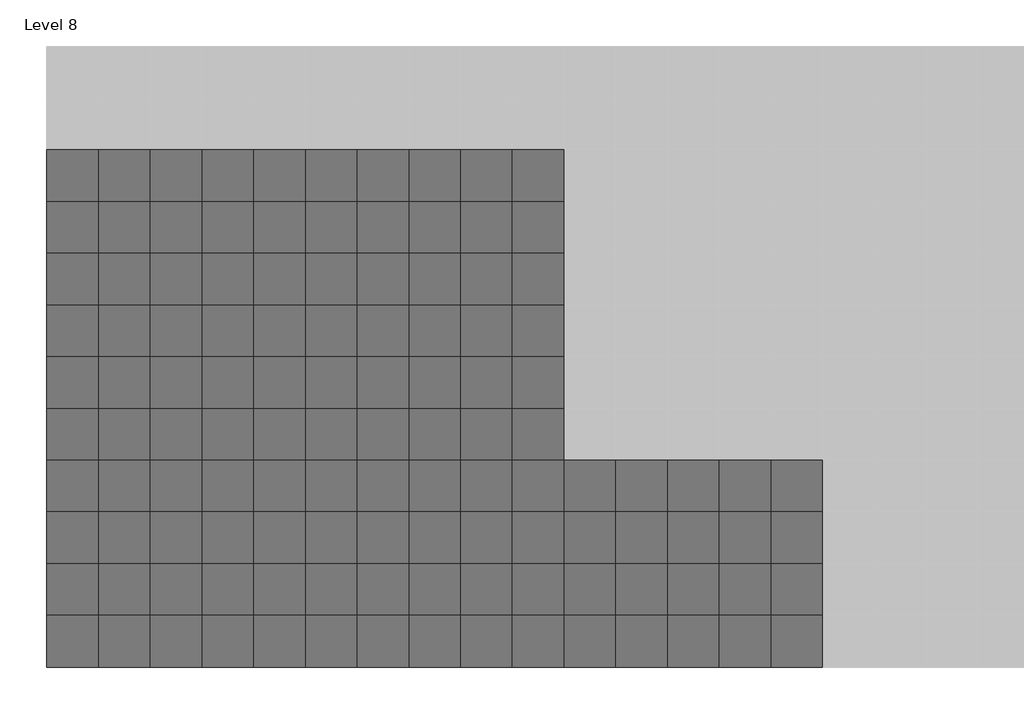
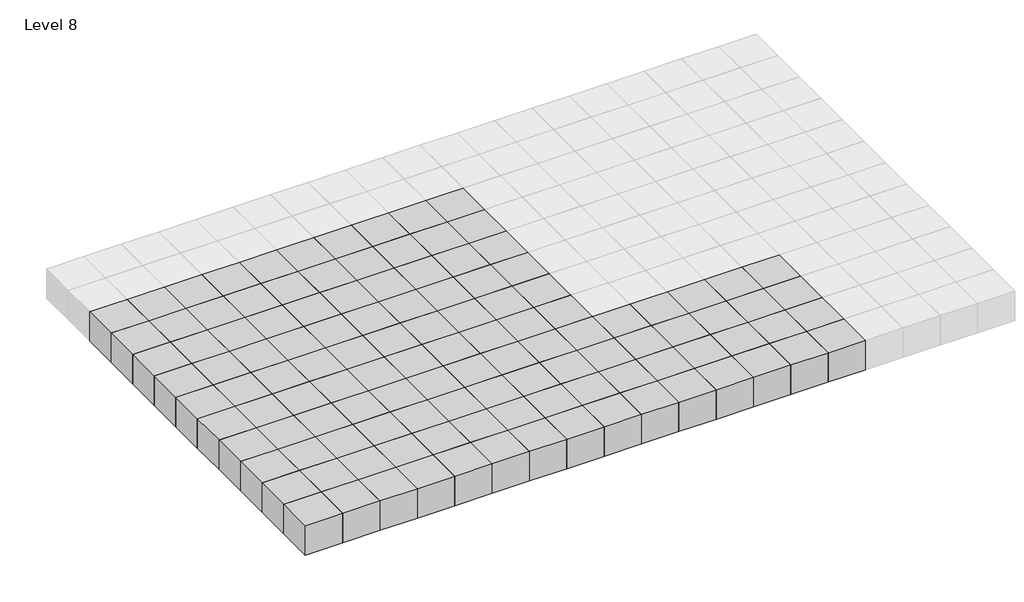
# One storey, part 1 of 3: 120 proxies.
"""IFC4 building model written with IfcOpenShell, lengths in millimetres."""

import ifcopenshell
import ifcopenshell.guid

model = None  # the IFC model being written
_history = None  # IfcOwnerHistory: only IFC2X3 demands one
_inside = {}  # id of a spatial element -> (the spatial element, [elements in it])
_under = {}  # id of a project, library or spatial element -> (it, [spatial elements below it])
_declared = {}  # id of a project -> (the project, [libraries it declares])
_typed = {}  # id of a type object -> (the type object, [elements of that type])
_made_of = {}  # id of a material, layer set ... -> (it, [elements and type objects made of it])


def new_model(schema):
    """Start an empty IFC model of exactly this schema.

    Asked for "IFC4X3", IfcOpenShell would pick the latest addendum, in which some entities
    have other attributes; the version numbers below select the first issue.
    IFC2X3 requires an IfcOwnerHistory on every rooted entity: one is made here for all.
    """
    global model, _history
    if schema == "IFC4X3":
        model = ifcopenshell.file(schema_version=(4, 3, 0, 0))
    else:
        model = ifcopenshell.file(schema=schema)
    _inside.clear()
    _under.clear()
    _declared.clear()
    _typed.clear()
    _made_of.clear()
    _history = None
    if model.schema == "IFC2X3":
        org = make("IfcOrganization", Name="unknown")
        user = make(
            "IfcPersonAndOrganization",
            ThePerson=make("IfcPerson", FamilyName="unknown"),
            TheOrganization=org,
        )
        app = make(
            "IfcApplication",
            ApplicationDeveloper=org,
            Version="unknown",
            ApplicationFullName="unknown",
            ApplicationIdentifier="unknown",
        )
        _history = make(
            "IfcOwnerHistory",
            OwningUser=user,
            OwningApplication=app,
            ChangeAction="ADDED",
            CreationDate=0,
        )
    return model


def make(cls, **values):
    """One entity of the class cls with the attributes given. An attribute that is None is left unset."""
    return model.create_entity(
        cls, **{name: value for name, value in values.items() if value is not None}
    )


def rooted(cls, **values):
    """An entity with a GlobalId (a new one), such as an element, a storey or a relation."""
    return make(cls, GlobalId=ifcopenshell.guid.new(), OwnerHistory=_history, **values)


def si_unit(unit_type, name, prefix=None):
    """IfcSIUnit, for example si_unit("LENGTHUNIT", "METRE", prefix="MILLI")."""
    return make("IfcSIUnit", UnitType=unit_type, Prefix=prefix, Name=name)


def assignment(units):
    """IfcUnitAssignment: the units of a project."""
    return None if units is None else make("IfcUnitAssignment", Units=units)


def point(xyz):
    """IfcCartesianPoint."""
    return None if xyz is None else make("IfcCartesianPoint", Coordinates=xyz)


def direction(xyz):
    """IfcDirection."""
    return None if xyz is None else make("IfcDirection", DirectionRatios=xyz)


def frame(location, z_axis=None, x_axis=None):
    """IfcAxis2Placement3D, a coordinate frame: its origin and axes. An axis left out is left unset."""
    return make(
        "IfcAxis2Placement3D",
        Location=point(location),
        Axis=direction(z_axis),
        RefDirection=direction(x_axis),
    )


def origin():
    """The frame at (0, 0, 0) with its axes left unset."""
    return frame((0.0, 0.0, 0.0))


def origin_with_axes():
    """The frame at (0, 0, 0) with the z axis (0, 0, 1) and the x axis (1, 0, 0) written out."""
    return frame((0.0, 0.0, 0.0), z_axis=(0.0, 0.0, 1.0), x_axis=(1.0, 0.0, 0.0))


def place(relative_to, where):
    """IfcLocalPlacement: puts the frame where relative to a parent placement (None: the world)."""
    return make(
        "IfcLocalPlacement", PlacementRelTo=relative_to, RelativePlacement=where
    )


def context(
    kind, dimensions, precision=None, world=None, true_north=None, identifier=None
):
    """IfcGeometricRepresentationContext, for example the 3D "Model" context."""
    return make(
        "IfcGeometricRepresentationContext",
        ContextIdentifier=identifier,
        ContextType=kind,
        CoordinateSpaceDimension=dimensions,
        Precision=precision,
        WorldCoordinateSystem=world,
        TrueNorth=true_north,
    )


def project(units=None, contexts=None):
    """IfcProject with its units and contexts."""
    return rooted(
        "IfcProject",
        Name="project",
        RepresentationContexts=contexts,
        UnitsInContext=assignment(units),
    )


def spatial(cls, under=None, at=None, **own):
    """A site, building, storey or space (cls), placed at a placement, below another one or the project."""
    s = rooted(cls, ObjectPlacement=at, **own)
    if under is not None:
        _under.setdefault(under.id(), (under, []))[1].append(s)
    return s


def polyline(points):
    """IfcPolyline through the points."""
    return make("IfcPolyline", Points=[point(p) for p in points])


def outline(outer, holes=None, kind="AREA"):
    """IfcArbitraryClosedProfileDef: a profile drawn as a closed curve; with holes, ...WithVoids."""
    if holes is None:
        return make("IfcArbitraryClosedProfileDef", ProfileType=kind, OuterCurve=outer)
    return make(
        "IfcArbitraryProfileDefWithVoids",
        ProfileType=kind,
        OuterCurve=outer,
        InnerCurves=holes,
    )


def extrude(swept, where, along, depth):
    """IfcExtrudedAreaSolid: the profile swept, set in the frame where, extruded along a direction by depth."""
    return make(
        "IfcExtrudedAreaSolid",
        SweptArea=swept,
        Position=where,
        ExtrudedDirection=direction(along),
        Depth=depth,
    )


def shape(context_of_items, identifier, shape_type, items):
    """IfcShapeRepresentation: the items that make up one representation, for example the "Body"."""
    return make(
        "IfcShapeRepresentation",
        ContextOfItems=context_of_items,
        RepresentationIdentifier=identifier,
        RepresentationType=shape_type,
        Items=items,
    )


def source(mapping_origin, context_of_items, identifier, shape_type, items):
    """IfcRepresentationMap: a shape defined once, which mapped items show again and again."""
    return make(
        "IfcRepresentationMap",
        MappingOrigin=mapping_origin,
        MappedRepresentation=shape(context_of_items, identifier, shape_type, items),
    )


def transform(
    local_origin,
    x_axis=None,
    y_axis=None,
    z_axis=None,
    scale=None,
    scale2=None,
    scale3=None,
    uniform=True,
):
    """IfcCartesianTransformationOperator3D, or its non-uniform kind. x_axis, y_axis, z_axis: its Axis1, 2, 3."""
    if uniform:
        return make(
            "IfcCartesianTransformationOperator3D",
            Axis1=direction(x_axis),
            Axis2=direction(y_axis),
            LocalOrigin=point(local_origin),
            Scale=scale,
            Axis3=direction(z_axis),
        )
    return make(
        "IfcCartesianTransformationOperator3DnonUniform",
        Axis1=direction(x_axis),
        Axis2=direction(y_axis),
        LocalOrigin=point(local_origin),
        Scale=scale,
        Axis3=direction(z_axis),
        Scale2=scale2,
        Scale3=scale3,
    )


def mapped(mapping_source, mapping_target):
    """IfcMappedItem: shows the shape of a source again, moved by a transform."""
    return make(
        "IfcMappedItem", MappingSource=mapping_source, MappingTarget=mapping_target
    )


def made_of(thing, what):
    """Note that an element or type object is made of a material, layer set ...; save() writes the relation."""
    if what is not None:
        _made_of.setdefault(what.id(), (what, []))[1].append(thing)
    return thing


def element(
    cls,
    number,
    at=None,
    inside=None,
    cuts=None,
    type_object=None,
    material=None,
    context=None,
    identifier="Body",
    shape_type=None,
    held_by="IfcProductDefinitionShape",
    body=None,
    shapes=None,
    **own,
):
    """One element of the class cls, such as IfcWall. Its Tag is "e" and its number.

    at: its placement. inside: the storey or other place that contains it. cuts: it is an
    opening in that element (IfcRelVoidsElement). A single representation is given by context,
    identifier, shape_type and body (its items); several are given by shapes. held_by: the class
    of the entity that holds the representations. save() writes the other relations.
    """
    e = rooted(cls, Tag="e%d" % number, ObjectPlacement=at, **own)
    if body is not None:
        shapes = [shape(context, identifier, shape_type, body)]
    if shapes is not None:
        e.Representation = make(held_by, Representations=shapes)
    if inside is not None:
        _inside.setdefault(inside.id(), (inside, []))[1].append(e)
    if cuts is not None:
        rooted(
            "IfcRelVoidsElement", RelatingBuildingElement=cuts, RelatedOpeningElement=e
        )
    if type_object is not None:
        _typed.setdefault(type_object.id(), (type_object, []))[1].append(e)
    return made_of(e, material)


def aggregate(whole, parts):
    """IfcRelAggregates: a whole, such as a stair, and the parts it consists of."""
    return rooted("IfcRelAggregates", RelatingObject=whole, RelatedObjects=parts)


def save(model, path):
    """Write the relations noted so far, then the file.

    IfcRelAggregates (storeys below a building ...), IfcRelContainedInSpatialStructure (elements
    in a storey), IfcRelDefinesByType, IfcRelAssociatesMaterial and IfcRelDeclares: one each for
    every whole, place, type object, material and project.
    """
    for whole, parts in _under.values():
        aggregate(whole, parts)
    for where, things in _inside.values():
        rooted(
            "IfcRelContainedInSpatialStructure",
            RelatedElements=things,
            RelatingStructure=where,
        )
    for kind, things in _typed.values():
        rooted("IfcRelDefinesByType", RelatedObjects=things, RelatingType=kind)
    for what, things in _made_of.values():
        rooted("IfcRelAssociatesMaterial", RelatedObjects=things, RelatingMaterial=what)
    for by, libraries in _declared.values():
        rooted("IfcRelDeclares", RelatingContext=by, RelatedDefinitions=libraries)
    model.write(path)


def family1_family1_3ff121e7(model_context):
    return source(origin(), model_context, "Body", "SweptSolid", [
        extrude(outline(polyline([(1500.0, 1500.0), (1500.0, -1500.0), (-1500.0, -1500.0), (-1500.0, 1500.0), (1500.0, 1500.0)])), origin_with_axes(), (0.0, 0.0, 1.0), 2500.0),
    ])


model = new_model("IFC4")

# Units and contexts
model_context = context("Model", 3, world=origin())
ifc_project = project(units=[si_unit("LENGTHUNIT", "METRE", prefix="MILLI")], contexts=[model_context])

# Site, building, storey
site = spatial("IfcSite", under=ifc_project)
building = spatial("IfcBuilding", under=site)
storey = spatial("IfcBuildingStorey", under=building, Name="Level 8", Elevation=17500.0)

# Proxies
placement = place(None, origin())
family1_family1_shape = family1_family1_3ff121e7(model_context)
element("IfcBuildingElementProxy", 1, Name="Family1 : Family1", ObjectType="Family1 : Family1", at=placement, inside=storey, context=model_context, shape_type="MappedRepresentation", body=[
    mapped(family1_family1_shape, transform((-43769.1764279, 4214.6480914, 17500.0), x_axis=(1.0, 0.0, 0.0), y_axis=(0.0, 1.0, 0.0), z_axis=(0.0, 0.0, 1.0))),
])
element("IfcBuildingElementProxy", 2, Name="Family1 : Family1", ObjectType="Family1 : Family1", at=placement, inside=storey, context=model_context, shape_type="MappedRepresentation", body=[
    mapped(family1_family1_shape, transform((-40769.1764279, 4214.6480914, 17500.0), x_axis=(1.0, 0.0, 0.0), y_axis=(0.0, 1.0, 0.0), z_axis=(0.0, 0.0, 1.0))),
])
element("IfcBuildingElementProxy", 3, Name="Family1 : Family1", ObjectType="Family1 : Family1", at=placement, inside=storey, context=model_context, shape_type="MappedRepresentation", body=[
    mapped(family1_family1_shape, transform((-37769.1764279, 4214.6480914, 17500.0), x_axis=(1.0, 0.0, 0.0), y_axis=(0.0, 1.0, 0.0), z_axis=(0.0, 0.0, 1.0))),
])
element("IfcBuildingElementProxy", 4, Name="Family1 : Family1", ObjectType="Family1 : Family1", at=placement, inside=storey, context=model_context, shape_type="MappedRepresentation", body=[
    mapped(family1_family1_shape, transform((-34769.1764279, 4214.6480914, 17500.0), x_axis=(1.0, 0.0, 0.0), y_axis=(0.0, 1.0, 0.0), z_axis=(0.0, 0.0, 1.0))),
])
element("IfcBuildingElementProxy", 5, Name="Family1 : Family1", ObjectType="Family1 : Family1", at=placement, inside=storey, context=model_context, shape_type="MappedRepresentation", body=[
    mapped(family1_family1_shape, transform((-31769.1764279, 4214.6480914, 17500.0), x_axis=(1.0, 0.0, 0.0), y_axis=(0.0, 1.0, 0.0), z_axis=(0.0, 0.0, 1.0))),
])
element("IfcBuildingElementProxy", 6, Name="Family1 : Family1", ObjectType="Family1 : Family1", at=placement, inside=storey, context=model_context, shape_type="MappedRepresentation", body=[
    mapped(family1_family1_shape, transform((-28769.1764279, 4214.6480914, 17500.0), x_axis=(1.0, 0.0, 0.0), y_axis=(0.0, 1.0, 0.0), z_axis=(0.0, 0.0, 1.0))),
])
element("IfcBuildingElementProxy", 7, Name="Family1 : Family1", ObjectType="Family1 : Family1", at=placement, inside=storey, context=model_context, shape_type="MappedRepresentation", body=[
    mapped(family1_family1_shape, transform((-25769.1764279, 4214.6480914, 17500.0), x_axis=(1.0, 0.0, 0.0), y_axis=(0.0, 1.0, 0.0), z_axis=(0.0, 0.0, 1.0))),
])
element("IfcBuildingElementProxy", 8, Name="Family1 : Family1", ObjectType="Family1 : Family1", at=placement, inside=storey, context=model_context, shape_type="MappedRepresentation", body=[
    mapped(family1_family1_shape, transform((-22769.1764279, 4214.6480914, 17500.0), x_axis=(1.0, 0.0, 0.0), y_axis=(0.0, 1.0, 0.0), z_axis=(0.0, 0.0, 1.0))),
])
element("IfcBuildingElementProxy", 9, Name="Family1 : Family1", ObjectType="Family1 : Family1", at=placement, inside=storey, context=model_context, shape_type="MappedRepresentation", body=[
    mapped(family1_family1_shape, transform((-19769.1764279, 4214.6480914, 17500.0), x_axis=(1.0, 0.0, 0.0), y_axis=(0.0, 1.0, 0.0), z_axis=(0.0, 0.0, 1.0))),
])
element("IfcBuildingElementProxy", 10, Name="Family1 : Family1", ObjectType="Family1 : Family1", at=placement, inside=storey, context=model_context, shape_type="MappedRepresentation", body=[
    mapped(family1_family1_shape, transform((-16769.1764279, 4214.6480914, 17500.0), x_axis=(1.0, 0.0, 0.0), y_axis=(0.0, 1.0, 0.0), z_axis=(0.0, 0.0, 1.0))),
])
element("IfcBuildingElementProxy", 11, Name="Family1 : Family1", ObjectType="Family1 : Family1", at=placement, inside=storey, context=model_context, shape_type="MappedRepresentation", body=[
    mapped(family1_family1_shape, transform((-13769.1764279, 4214.6480914, 17500.0), x_axis=(1.0, 0.0, 0.0), y_axis=(0.0, 1.0, 0.0), z_axis=(0.0, 0.0, 1.0))),
])
element("IfcBuildingElementProxy", 12, Name="Family1 : Family1", ObjectType="Family1 : Family1", at=placement, inside=storey, context=model_context, shape_type="MappedRepresentation", body=[
    mapped(family1_family1_shape, transform((-10769.1764279, 4214.6480914, 17500.0), x_axis=(1.0, 0.0, 0.0), y_axis=(0.0, 1.0, 0.0), z_axis=(0.0, 0.0, 1.0))),
])
element("IfcBuildingElementProxy", 13, Name="Family1 : Family1", ObjectType="Family1 : Family1", at=placement, inside=storey, context=model_context, shape_type="MappedRepresentation", body=[
    mapped(family1_family1_shape, transform((-7769.1764279, 4214.6480914, 17500.0), x_axis=(1.0, 0.0, 0.0), y_axis=(0.0, 1.0, 0.0), z_axis=(0.0, 0.0, 1.0))),
])
element("IfcBuildingElementProxy", 14, Name="Family1 : Family1", ObjectType="Family1 : Family1", at=placement, inside=storey, context=model_context, shape_type="MappedRepresentation", body=[
    mapped(family1_family1_shape, transform((-4769.1764279, 4214.6480914, 17500.0), x_axis=(1.0, 0.0, 0.0), y_axis=(0.0, 1.0, 0.0), z_axis=(0.0, 0.0, 1.0))),
])
element("IfcBuildingElementProxy", 15, Name="Family1 : Family1", ObjectType="Family1 : Family1", at=placement, inside=storey, context=model_context, shape_type="MappedRepresentation", body=[
    mapped(family1_family1_shape, transform((-1769.1764279, 4214.6480914, 17500.0), x_axis=(1.0, 0.0, 0.0), y_axis=(0.0, 1.0, 0.0), z_axis=(0.0, 0.0, 1.0))),
])
element("IfcBuildingElementProxy", 16, Name="Family1 : Family1", ObjectType="Family1 : Family1", at=placement, inside=storey, context=model_context, shape_type="MappedRepresentation", body=[
    mapped(family1_family1_shape, transform((-43769.1764279, 7214.6480914, 17500.0), x_axis=(1.0, 0.0, 0.0), y_axis=(0.0, 1.0, 0.0), z_axis=(0.0, 0.0, 1.0))),
])
element("IfcBuildingElementProxy", 17, Name="Family1 : Family1", ObjectType="Family1 : Family1", at=placement, inside=storey, context=model_context, shape_type="MappedRepresentation", body=[
    mapped(family1_family1_shape, transform((-40769.1764279, 7214.6480914, 17500.0), x_axis=(1.0, 0.0, 0.0), y_axis=(0.0, 1.0, 0.0), z_axis=(0.0, 0.0, 1.0))),
])
element("IfcBuildingElementProxy", 18, Name="Family1 : Family1", ObjectType="Family1 : Family1", at=placement, inside=storey, context=model_context, shape_type="MappedRepresentation", body=[
    mapped(family1_family1_shape, transform((-37769.1764279, 7214.6480914, 17500.0), x_axis=(1.0, 0.0, 0.0), y_axis=(0.0, 1.0, 0.0), z_axis=(0.0, 0.0, 1.0))),
])
element("IfcBuildingElementProxy", 19, Name="Family1 : Family1", ObjectType="Family1 : Family1", at=placement, inside=storey, context=model_context, shape_type="MappedRepresentation", body=[
    mapped(family1_family1_shape, transform((-34769.1764279, 7214.6480914, 17500.0), x_axis=(1.0, 0.0, 0.0), y_axis=(0.0, 1.0, 0.0), z_axis=(0.0, 0.0, 1.0))),
])
element("IfcBuildingElementProxy", 20, Name="Family1 : Family1", ObjectType="Family1 : Family1", at=placement, inside=storey, context=model_context, shape_type="MappedRepresentation", body=[
    mapped(family1_family1_shape, transform((-31769.1764279, 7214.6480914, 17500.0), x_axis=(1.0, 0.0, 0.0), y_axis=(0.0, 1.0, 0.0), z_axis=(0.0, 0.0, 1.0))),
])
element("IfcBuildingElementProxy", 21, Name="Family1 : Family1", ObjectType="Family1 : Family1", at=placement, inside=storey, context=model_context, shape_type="MappedRepresentation", body=[
    mapped(family1_family1_shape, transform((-28769.1764279, 7214.6480914, 17500.0), x_axis=(1.0, 0.0, 0.0), y_axis=(0.0, 1.0, 0.0), z_axis=(0.0, 0.0, 1.0))),
])
element("IfcBuildingElementProxy", 22, Name="Family1 : Family1", ObjectType="Family1 : Family1", at=placement, inside=storey, context=model_context, shape_type="MappedRepresentation", body=[
    mapped(family1_family1_shape, transform((-25769.1764279, 7214.6480914, 17500.0), x_axis=(1.0, 0.0, 0.0), y_axis=(0.0, 1.0, 0.0), z_axis=(0.0, 0.0, 1.0))),
])
element("IfcBuildingElementProxy", 23, Name="Family1 : Family1", ObjectType="Family1 : Family1", at=placement, inside=storey, context=model_context, shape_type="MappedRepresentation", body=[
    mapped(family1_family1_shape, transform((-22769.1764279, 7214.6480914, 17500.0), x_axis=(1.0, 0.0, 0.0), y_axis=(0.0, 1.0, 0.0), z_axis=(0.0, 0.0, 1.0))),
])
element("IfcBuildingElementProxy", 24, Name="Family1 : Family1", ObjectType="Family1 : Family1", at=placement, inside=storey, context=model_context, shape_type="MappedRepresentation", body=[
    mapped(family1_family1_shape, transform((-19769.1764279, 7214.6480914, 17500.0), x_axis=(1.0, 0.0, 0.0), y_axis=(0.0, 1.0, 0.0), z_axis=(0.0, 0.0, 1.0))),
])
element("IfcBuildingElementProxy", 25, Name="Family1 : Family1", ObjectType="Family1 : Family1", at=placement, inside=storey, context=model_context, shape_type="MappedRepresentation", body=[
    mapped(family1_family1_shape, transform((-16769.1764279, 7214.6480914, 17500.0), x_axis=(1.0, 0.0, 0.0), y_axis=(0.0, 1.0, 0.0), z_axis=(0.0, 0.0, 1.0))),
])
element("IfcBuildingElementProxy", 26, Name="Family1 : Family1", ObjectType="Family1 : Family1", at=placement, inside=storey, context=model_context, shape_type="MappedRepresentation", body=[
    mapped(family1_family1_shape, transform((-13769.1764279, 7214.6480914, 17500.0), x_axis=(1.0, 0.0, 0.0), y_axis=(0.0, 1.0, 0.0), z_axis=(0.0, 0.0, 1.0))),
])
element("IfcBuildingElementProxy", 27, Name="Family1 : Family1", ObjectType="Family1 : Family1", at=placement, inside=storey, context=model_context, shape_type="MappedRepresentation", body=[
    mapped(family1_family1_shape, transform((-10769.1764279, 7214.6480914, 17500.0), x_axis=(1.0, 0.0, 0.0), y_axis=(0.0, 1.0, 0.0), z_axis=(0.0, 0.0, 1.0))),
])
element("IfcBuildingElementProxy", 28, Name="Family1 : Family1", ObjectType="Family1 : Family1", at=placement, inside=storey, context=model_context, shape_type="MappedRepresentation", body=[
    mapped(family1_family1_shape, transform((-7769.1764279, 7214.6480914, 17500.0), x_axis=(1.0, 0.0, 0.0), y_axis=(0.0, 1.0, 0.0), z_axis=(0.0, 0.0, 1.0))),
])
element("IfcBuildingElementProxy", 29, Name="Family1 : Family1", ObjectType="Family1 : Family1", at=placement, inside=storey, context=model_context, shape_type="MappedRepresentation", body=[
    mapped(family1_family1_shape, transform((-4769.1764279, 7214.6480914, 17500.0), x_axis=(1.0, 0.0, 0.0), y_axis=(0.0, 1.0, 0.0), z_axis=(0.0, 0.0, 1.0))),
])
element("IfcBuildingElementProxy", 30, Name="Family1 : Family1", ObjectType="Family1 : Family1", at=placement, inside=storey, context=model_context, shape_type="MappedRepresentation", body=[
    mapped(family1_family1_shape, transform((-1769.1764279, 7214.6480914, 17500.0), x_axis=(1.0, 0.0, 0.0), y_axis=(0.0, 1.0, 0.0), z_axis=(0.0, 0.0, 1.0))),
])
element("IfcBuildingElementProxy", 31, Name="Family1 : Family1", ObjectType="Family1 : Family1", at=placement, inside=storey, context=model_context, shape_type="MappedRepresentation", body=[
    mapped(family1_family1_shape, transform((-43769.1764279, 10214.6480914, 17500.0), x_axis=(1.0, 0.0, 0.0), y_axis=(0.0, 1.0, 0.0), z_axis=(0.0, 0.0, 1.0))),
])
element("IfcBuildingElementProxy", 32, Name="Family1 : Family1", ObjectType="Family1 : Family1", at=placement, inside=storey, context=model_context, shape_type="MappedRepresentation", body=[
    mapped(family1_family1_shape, transform((-40769.1764279, 10214.6480914, 17500.0), x_axis=(1.0, 0.0, 0.0), y_axis=(0.0, 1.0, 0.0), z_axis=(0.0, 0.0, 1.0))),
])
element("IfcBuildingElementProxy", 33, Name="Family1 : Family1", ObjectType="Family1 : Family1", at=placement, inside=storey, context=model_context, shape_type="MappedRepresentation", body=[
    mapped(family1_family1_shape, transform((-37769.1764279, 10214.6480914, 17500.0), x_axis=(1.0, 0.0, 0.0), y_axis=(0.0, 1.0, 0.0), z_axis=(0.0, 0.0, 1.0))),
])
element("IfcBuildingElementProxy", 34, Name="Family1 : Family1", ObjectType="Family1 : Family1", at=placement, inside=storey, context=model_context, shape_type="MappedRepresentation", body=[
    mapped(family1_family1_shape, transform((-34769.1764279, 10214.6480914, 17500.0), x_axis=(1.0, 0.0, 0.0), y_axis=(0.0, 1.0, 0.0), z_axis=(0.0, 0.0, 1.0))),
])
element("IfcBuildingElementProxy", 35, Name="Family1 : Family1", ObjectType="Family1 : Family1", at=placement, inside=storey, context=model_context, shape_type="MappedRepresentation", body=[
    mapped(family1_family1_shape, transform((-31769.1764279, 10214.6480914, 17500.0), x_axis=(1.0, 0.0, 0.0), y_axis=(0.0, 1.0, 0.0), z_axis=(0.0, 0.0, 1.0))),
])
element("IfcBuildingElementProxy", 36, Name="Family1 : Family1", ObjectType="Family1 : Family1", at=placement, inside=storey, context=model_context, shape_type="MappedRepresentation", body=[
    mapped(family1_family1_shape, transform((-28769.1764279, 10214.6480914, 17500.0), x_axis=(1.0, 0.0, 0.0), y_axis=(0.0, 1.0, 0.0), z_axis=(0.0, 0.0, 1.0))),
])
element("IfcBuildingElementProxy", 37, Name="Family1 : Family1", ObjectType="Family1 : Family1", at=placement, inside=storey, context=model_context, shape_type="MappedRepresentation", body=[
    mapped(family1_family1_shape, transform((-25769.1764279, 10214.6480914, 17500.0), x_axis=(1.0, 0.0, 0.0), y_axis=(0.0, 1.0, 0.0), z_axis=(0.0, 0.0, 1.0))),
])
element("IfcBuildingElementProxy", 38, Name="Family1 : Family1", ObjectType="Family1 : Family1", at=placement, inside=storey, context=model_context, shape_type="MappedRepresentation", body=[
    mapped(family1_family1_shape, transform((-22769.1764279, 10214.6480914, 17500.0), x_axis=(1.0, 0.0, 0.0), y_axis=(0.0, 1.0, 0.0), z_axis=(0.0, 0.0, 1.0))),
])
element("IfcBuildingElementProxy", 39, Name="Family1 : Family1", ObjectType="Family1 : Family1", at=placement, inside=storey, context=model_context, shape_type="MappedRepresentation", body=[
    mapped(family1_family1_shape, transform((-19769.1764279, 10214.6480914, 17500.0), x_axis=(1.0, 0.0, 0.0), y_axis=(0.0, 1.0, 0.0), z_axis=(0.0, 0.0, 1.0))),
])
element("IfcBuildingElementProxy", 40, Name="Family1 : Family1", ObjectType="Family1 : Family1", at=placement, inside=storey, context=model_context, shape_type="MappedRepresentation", body=[
    mapped(family1_family1_shape, transform((-16769.1764279, 10214.6480914, 17500.0), x_axis=(1.0, 0.0, 0.0), y_axis=(0.0, 1.0, 0.0), z_axis=(0.0, 0.0, 1.0))),
])
element("IfcBuildingElementProxy", 41, Name="Family1 : Family1", ObjectType="Family1 : Family1", at=placement, inside=storey, context=model_context, shape_type="MappedRepresentation", body=[
    mapped(family1_family1_shape, transform((-13769.1764279, 10214.6480914, 17500.0), x_axis=(1.0, 0.0, 0.0), y_axis=(0.0, 1.0, 0.0), z_axis=(0.0, 0.0, 1.0))),
])
element("IfcBuildingElementProxy", 42, Name="Family1 : Family1", ObjectType="Family1 : Family1", at=placement, inside=storey, context=model_context, shape_type="MappedRepresentation", body=[
    mapped(family1_family1_shape, transform((-10769.1764279, 10214.6480914, 17500.0), x_axis=(1.0, 0.0, 0.0), y_axis=(0.0, 1.0, 0.0), z_axis=(0.0, 0.0, 1.0))),
])
element("IfcBuildingElementProxy", 43, Name="Family1 : Family1", ObjectType="Family1 : Family1", at=placement, inside=storey, context=model_context, shape_type="MappedRepresentation", body=[
    mapped(family1_family1_shape, transform((-7769.1764279, 10214.6480914, 17500.0), x_axis=(1.0, 0.0, 0.0), y_axis=(0.0, 1.0, 0.0), z_axis=(0.0, 0.0, 1.0))),
])
element("IfcBuildingElementProxy", 44, Name="Family1 : Family1", ObjectType="Family1 : Family1", at=placement, inside=storey, context=model_context, shape_type="MappedRepresentation", body=[
    mapped(family1_family1_shape, transform((-4769.1764279, 10214.6480914, 17500.0), x_axis=(1.0, 0.0, 0.0), y_axis=(0.0, 1.0, 0.0), z_axis=(0.0, 0.0, 1.0))),
])
element("IfcBuildingElementProxy", 45, Name="Family1 : Family1", ObjectType="Family1 : Family1", at=placement, inside=storey, context=model_context, shape_type="MappedRepresentation", body=[
    mapped(family1_family1_shape, transform((-1769.1764279, 10214.6480914, 17500.0), x_axis=(1.0, 0.0, 0.0), y_axis=(0.0, 1.0, 0.0), z_axis=(0.0, 0.0, 1.0))),
])
element("IfcBuildingElementProxy", 46, Name="Family1 : Family1", ObjectType="Family1 : Family1", at=placement, inside=storey, context=model_context, shape_type="MappedRepresentation", body=[
    mapped(family1_family1_shape, transform((-43769.1764279, 13214.6480914, 17500.0), x_axis=(1.0, 0.0, 0.0), y_axis=(0.0, 1.0, 0.0), z_axis=(0.0, 0.0, 1.0))),
])
element("IfcBuildingElementProxy", 47, Name="Family1 : Family1", ObjectType="Family1 : Family1", at=placement, inside=storey, context=model_context, shape_type="MappedRepresentation", body=[
    mapped(family1_family1_shape, transform((-40769.1764279, 13214.6480914, 17500.0), x_axis=(1.0, 0.0, 0.0), y_axis=(0.0, 1.0, 0.0), z_axis=(0.0, 0.0, 1.0))),
])
element("IfcBuildingElementProxy", 48, Name="Family1 : Family1", ObjectType="Family1 : Family1", at=placement, inside=storey, context=model_context, shape_type="MappedRepresentation", body=[
    mapped(family1_family1_shape, transform((-37769.1764279, 13214.6480914, 17500.0), x_axis=(1.0, 0.0, 0.0), y_axis=(0.0, 1.0, 0.0), z_axis=(0.0, 0.0, 1.0))),
])
element("IfcBuildingElementProxy", 49, Name="Family1 : Family1", ObjectType="Family1 : Family1", at=placement, inside=storey, context=model_context, shape_type="MappedRepresentation", body=[
    mapped(family1_family1_shape, transform((-34769.1764279, 13214.6480914, 17500.0), x_axis=(1.0, 0.0, 0.0), y_axis=(0.0, 1.0, 0.0), z_axis=(0.0, 0.0, 1.0))),
])
element("IfcBuildingElementProxy", 50, Name="Family1 : Family1", ObjectType="Family1 : Family1", at=placement, inside=storey, context=model_context, shape_type="MappedRepresentation", body=[
    mapped(family1_family1_shape, transform((-31769.1764279, 13214.6480914, 17500.0), x_axis=(1.0, 0.0, 0.0), y_axis=(0.0, 1.0, 0.0), z_axis=(0.0, 0.0, 1.0))),
])
element("IfcBuildingElementProxy", 51, Name="Family1 : Family1", ObjectType="Family1 : Family1", at=placement, inside=storey, context=model_context, shape_type="MappedRepresentation", body=[
    mapped(family1_family1_shape, transform((-28769.1764279, 13214.6480914, 17500.0), x_axis=(1.0, 0.0, 0.0), y_axis=(0.0, 1.0, 0.0), z_axis=(0.0, 0.0, 1.0))),
])
element("IfcBuildingElementProxy", 52, Name="Family1 : Family1", ObjectType="Family1 : Family1", at=placement, inside=storey, context=model_context, shape_type="MappedRepresentation", body=[
    mapped(family1_family1_shape, transform((-25769.1764279, 13214.6480914, 17500.0), x_axis=(1.0, 0.0, 0.0), y_axis=(0.0, 1.0, 0.0), z_axis=(0.0, 0.0, 1.0))),
])
element("IfcBuildingElementProxy", 53, Name="Family1 : Family1", ObjectType="Family1 : Family1", at=placement, inside=storey, context=model_context, shape_type="MappedRepresentation", body=[
    mapped(family1_family1_shape, transform((-22769.1764279, 13214.6480914, 17500.0), x_axis=(1.0, 0.0, 0.0), y_axis=(0.0, 1.0, 0.0), z_axis=(0.0, 0.0, 1.0))),
])
element("IfcBuildingElementProxy", 54, Name="Family1 : Family1", ObjectType="Family1 : Family1", at=placement, inside=storey, context=model_context, shape_type="MappedRepresentation", body=[
    mapped(family1_family1_shape, transform((-19769.1764279, 13214.6480914, 17500.0), x_axis=(1.0, 0.0, 0.0), y_axis=(0.0, 1.0, 0.0), z_axis=(0.0, 0.0, 1.0))),
])
element("IfcBuildingElementProxy", 55, Name="Family1 : Family1", ObjectType="Family1 : Family1", at=placement, inside=storey, context=model_context, shape_type="MappedRepresentation", body=[
    mapped(family1_family1_shape, transform((-16769.1764279, 13214.6480914, 17500.0), x_axis=(1.0, 0.0, 0.0), y_axis=(0.0, 1.0, 0.0), z_axis=(0.0, 0.0, 1.0))),
])
element("IfcBuildingElementProxy", 56, Name="Family1 : Family1", ObjectType="Family1 : Family1", at=placement, inside=storey, context=model_context, shape_type="MappedRepresentation", body=[
    mapped(family1_family1_shape, transform((-13769.1764279, 13214.6480914, 17500.0), x_axis=(1.0, 0.0, 0.0), y_axis=(0.0, 1.0, 0.0), z_axis=(0.0, 0.0, 1.0))),
])
element("IfcBuildingElementProxy", 57, Name="Family1 : Family1", ObjectType="Family1 : Family1", at=placement, inside=storey, context=model_context, shape_type="MappedRepresentation", body=[
    mapped(family1_family1_shape, transform((-10769.1764279, 13214.6480914, 17500.0), x_axis=(1.0, 0.0, 0.0), y_axis=(0.0, 1.0, 0.0), z_axis=(0.0, 0.0, 1.0))),
])
element("IfcBuildingElementProxy", 58, Name="Family1 : Family1", ObjectType="Family1 : Family1", at=placement, inside=storey, context=model_context, shape_type="MappedRepresentation", body=[
    mapped(family1_family1_shape, transform((-7769.1764279, 13214.6480914, 17500.0), x_axis=(1.0, 0.0, 0.0), y_axis=(0.0, 1.0, 0.0), z_axis=(0.0, 0.0, 1.0))),
])
element("IfcBuildingElementProxy", 59, Name="Family1 : Family1", ObjectType="Family1 : Family1", at=placement, inside=storey, context=model_context, shape_type="MappedRepresentation", body=[
    mapped(family1_family1_shape, transform((-4769.1764279, 13214.6480914, 17500.0), x_axis=(1.0, 0.0, 0.0), y_axis=(0.0, 1.0, 0.0), z_axis=(0.0, 0.0, 1.0))),
])
element("IfcBuildingElementProxy", 60, Name="Family1 : Family1", ObjectType="Family1 : Family1", at=placement, inside=storey, context=model_context, shape_type="MappedRepresentation", body=[
    mapped(family1_family1_shape, transform((-1769.1764279, 13214.6480914, 17500.0), x_axis=(1.0, 0.0, 0.0), y_axis=(0.0, 1.0, 0.0), z_axis=(0.0, 0.0, 1.0))),
])
element("IfcBuildingElementProxy", 61, Name="Family1 : Family1", ObjectType="Family1 : Family1", at=placement, inside=storey, context=model_context, shape_type="MappedRepresentation", body=[
    mapped(family1_family1_shape, transform((-43769.1764279, 16214.6480914, 17500.0), x_axis=(1.0, 0.0, 0.0), y_axis=(0.0, 1.0, 0.0), z_axis=(0.0, 0.0, 1.0))),
])
element("IfcBuildingElementProxy", 62, Name="Family1 : Family1", ObjectType="Family1 : Family1", at=placement, inside=storey, context=model_context, shape_type="MappedRepresentation", body=[
    mapped(family1_family1_shape, transform((-40769.1764279, 16214.6480914, 17500.0), x_axis=(1.0, 0.0, 0.0), y_axis=(0.0, 1.0, 0.0), z_axis=(0.0, 0.0, 1.0))),
])
element("IfcBuildingElementProxy", 63, Name="Family1 : Family1", ObjectType="Family1 : Family1", at=placement, inside=storey, context=model_context, shape_type="MappedRepresentation", body=[
    mapped(family1_family1_shape, transform((-37769.1764279, 16214.6480914, 17500.0), x_axis=(1.0, 0.0, 0.0), y_axis=(0.0, 1.0, 0.0), z_axis=(0.0, 0.0, 1.0))),
])
element("IfcBuildingElementProxy", 64, Name="Family1 : Family1", ObjectType="Family1 : Family1", at=placement, inside=storey, context=model_context, shape_type="MappedRepresentation", body=[
    mapped(family1_family1_shape, transform((-34769.1764279, 16214.6480914, 17500.0), x_axis=(1.0, 0.0, 0.0), y_axis=(0.0, 1.0, 0.0), z_axis=(0.0, 0.0, 1.0))),
])
element("IfcBuildingElementProxy", 65, Name="Family1 : Family1", ObjectType="Family1 : Family1", at=placement, inside=storey, context=model_context, shape_type="MappedRepresentation", body=[
    mapped(family1_family1_shape, transform((-31769.1764279, 16214.6480914, 17500.0), x_axis=(1.0, 0.0, 0.0), y_axis=(0.0, 1.0, 0.0), z_axis=(0.0, 0.0, 1.0))),
])
element("IfcBuildingElementProxy", 66, Name="Family1 : Family1", ObjectType="Family1 : Family1", at=placement, inside=storey, context=model_context, shape_type="MappedRepresentation", body=[
    mapped(family1_family1_shape, transform((-28769.1764279, 16214.6480914, 17500.0), x_axis=(1.0, 0.0, 0.0), y_axis=(0.0, 1.0, 0.0), z_axis=(0.0, 0.0, 1.0))),
])
element("IfcBuildingElementProxy", 67, Name="Family1 : Family1", ObjectType="Family1 : Family1", at=placement, inside=storey, context=model_context, shape_type="MappedRepresentation", body=[
    mapped(family1_family1_shape, transform((-25769.1764279, 16214.6480914, 17500.0), x_axis=(1.0, 0.0, 0.0), y_axis=(0.0, 1.0, 0.0), z_axis=(0.0, 0.0, 1.0))),
])
element("IfcBuildingElementProxy", 68, Name="Family1 : Family1", ObjectType="Family1 : Family1", at=placement, inside=storey, context=model_context, shape_type="MappedRepresentation", body=[
    mapped(family1_family1_shape, transform((-22769.1764279, 16214.6480914, 17500.0), x_axis=(1.0, 0.0, 0.0), y_axis=(0.0, 1.0, 0.0), z_axis=(0.0, 0.0, 1.0))),
])
element("IfcBuildingElementProxy", 69, Name="Family1 : Family1", ObjectType="Family1 : Family1", at=placement, inside=storey, context=model_context, shape_type="MappedRepresentation", body=[
    mapped(family1_family1_shape, transform((-19769.1764279, 16214.6480914, 17500.0), x_axis=(1.0, 0.0, 0.0), y_axis=(0.0, 1.0, 0.0), z_axis=(0.0, 0.0, 1.0))),
])
element("IfcBuildingElementProxy", 70, Name="Family1 : Family1", ObjectType="Family1 : Family1", at=placement, inside=storey, context=model_context, shape_type="MappedRepresentation", body=[
    mapped(family1_family1_shape, transform((-16769.1764279, 16214.6480914, 17500.0), x_axis=(1.0, 0.0, 0.0), y_axis=(0.0, 1.0, 0.0), z_axis=(0.0, 0.0, 1.0))),
])
element("IfcBuildingElementProxy", 71, Name="Family1 : Family1", ObjectType="Family1 : Family1", at=placement, inside=storey, context=model_context, shape_type="MappedRepresentation", body=[
    mapped(family1_family1_shape, transform((-43769.1764279, 19214.6480914, 17500.0), x_axis=(1.0, 0.0, 0.0), y_axis=(0.0, 1.0, 0.0), z_axis=(0.0, 0.0, 1.0))),
])
element("IfcBuildingElementProxy", 72, Name="Family1 : Family1", ObjectType="Family1 : Family1", at=placement, inside=storey, context=model_context, shape_type="MappedRepresentation", body=[
    mapped(family1_family1_shape, transform((-40769.1764279, 19214.6480914, 17500.0), x_axis=(1.0, 0.0, 0.0), y_axis=(0.0, 1.0, 0.0), z_axis=(0.0, 0.0, 1.0))),
])
element("IfcBuildingElementProxy", 73, Name="Family1 : Family1", ObjectType="Family1 : Family1", at=placement, inside=storey, context=model_context, shape_type="MappedRepresentation", body=[
    mapped(family1_family1_shape, transform((-37769.1764279, 19214.6480914, 17500.0), x_axis=(1.0, 0.0, 0.0), y_axis=(0.0, 1.0, 0.0), z_axis=(0.0, 0.0, 1.0))),
])
element("IfcBuildingElementProxy", 74, Name="Family1 : Family1", ObjectType="Family1 : Family1", at=placement, inside=storey, context=model_context, shape_type="MappedRepresentation", body=[
    mapped(family1_family1_shape, transform((-34769.1764279, 19214.6480914, 17500.0), x_axis=(1.0, 0.0, 0.0), y_axis=(0.0, 1.0, 0.0), z_axis=(0.0, 0.0, 1.0))),
])
element("IfcBuildingElementProxy", 75, Name="Family1 : Family1", ObjectType="Family1 : Family1", at=placement, inside=storey, context=model_context, shape_type="MappedRepresentation", body=[
    mapped(family1_family1_shape, transform((-31769.1764279, 19214.6480914, 17500.0), x_axis=(1.0, 0.0, 0.0), y_axis=(0.0, 1.0, 0.0), z_axis=(0.0, 0.0, 1.0))),
])
element("IfcBuildingElementProxy", 76, Name="Family1 : Family1", ObjectType="Family1 : Family1", at=placement, inside=storey, context=model_context, shape_type="MappedRepresentation", body=[
    mapped(family1_family1_shape, transform((-28769.1764279, 19214.6480914, 17500.0), x_axis=(1.0, 0.0, 0.0), y_axis=(0.0, 1.0, 0.0), z_axis=(0.0, 0.0, 1.0))),
])
element("IfcBuildingElementProxy", 77, Name="Family1 : Family1", ObjectType="Family1 : Family1", at=placement, inside=storey, context=model_context, shape_type="MappedRepresentation", body=[
    mapped(family1_family1_shape, transform((-25769.1764279, 19214.6480914, 17500.0), x_axis=(1.0, 0.0, 0.0), y_axis=(0.0, 1.0, 0.0), z_axis=(0.0, 0.0, 1.0))),
])
element("IfcBuildingElementProxy", 78, Name="Family1 : Family1", ObjectType="Family1 : Family1", at=placement, inside=storey, context=model_context, shape_type="MappedRepresentation", body=[
    mapped(family1_family1_shape, transform((-22769.1764279, 19214.6480914, 17500.0), x_axis=(1.0, 0.0, 0.0), y_axis=(0.0, 1.0, 0.0), z_axis=(0.0, 0.0, 1.0))),
])
element("IfcBuildingElementProxy", 79, Name="Family1 : Family1", ObjectType="Family1 : Family1", at=placement, inside=storey, context=model_context, shape_type="MappedRepresentation", body=[
    mapped(family1_family1_shape, transform((-19769.1764279, 19214.6480914, 17500.0), x_axis=(1.0, 0.0, 0.0), y_axis=(0.0, 1.0, 0.0), z_axis=(0.0, 0.0, 1.0))),
])
element("IfcBuildingElementProxy", 80, Name="Family1 : Family1", ObjectType="Family1 : Family1", at=placement, inside=storey, context=model_context, shape_type="MappedRepresentation", body=[
    mapped(family1_family1_shape, transform((-16769.1764279, 19214.6480914, 17500.0), x_axis=(1.0, 0.0, 0.0), y_axis=(0.0, 1.0, 0.0), z_axis=(0.0, 0.0, 1.0))),
])
element("IfcBuildingElementProxy", 81, Name="Family1 : Family1", ObjectType="Family1 : Family1", at=placement, inside=storey, context=model_context, shape_type="MappedRepresentation", body=[
    mapped(family1_family1_shape, transform((-43769.1764279, 22214.6480914, 17500.0), x_axis=(1.0, 0.0, 0.0), y_axis=(0.0, 1.0, 0.0), z_axis=(0.0, 0.0, 1.0))),
])
element("IfcBuildingElementProxy", 82, Name="Family1 : Family1", ObjectType="Family1 : Family1", at=placement, inside=storey, context=model_context, shape_type="MappedRepresentation", body=[
    mapped(family1_family1_shape, transform((-40769.1764279, 22214.6480914, 17500.0), x_axis=(1.0, 0.0, 0.0), y_axis=(0.0, 1.0, 0.0), z_axis=(0.0, 0.0, 1.0))),
])
element("IfcBuildingElementProxy", 83, Name="Family1 : Family1", ObjectType="Family1 : Family1", at=placement, inside=storey, context=model_context, shape_type="MappedRepresentation", body=[
    mapped(family1_family1_shape, transform((-37769.1764279, 22214.6480914, 17500.0), x_axis=(1.0, 0.0, 0.0), y_axis=(0.0, 1.0, 0.0), z_axis=(0.0, 0.0, 1.0))),
])
element("IfcBuildingElementProxy", 84, Name="Family1 : Family1", ObjectType="Family1 : Family1", at=placement, inside=storey, context=model_context, shape_type="MappedRepresentation", body=[
    mapped(family1_family1_shape, transform((-34769.1764279, 22214.6480914, 17500.0), x_axis=(1.0, 0.0, 0.0), y_axis=(0.0, 1.0, 0.0), z_axis=(0.0, 0.0, 1.0))),
])
element("IfcBuildingElementProxy", 85, Name="Family1 : Family1", ObjectType="Family1 : Family1", at=placement, inside=storey, context=model_context, shape_type="MappedRepresentation", body=[
    mapped(family1_family1_shape, transform((-31769.1764279, 22214.6480914, 17500.0), x_axis=(1.0, 0.0, 0.0), y_axis=(0.0, 1.0, 0.0), z_axis=(0.0, 0.0, 1.0))),
])
element("IfcBuildingElementProxy", 86, Name="Family1 : Family1", ObjectType="Family1 : Family1", at=placement, inside=storey, context=model_context, shape_type="MappedRepresentation", body=[
    mapped(family1_family1_shape, transform((-28769.1764279, 22214.6480914, 17500.0), x_axis=(1.0, 0.0, 0.0), y_axis=(0.0, 1.0, 0.0), z_axis=(0.0, 0.0, 1.0))),
])
element("IfcBuildingElementProxy", 87, Name="Family1 : Family1", ObjectType="Family1 : Family1", at=placement, inside=storey, context=model_context, shape_type="MappedRepresentation", body=[
    mapped(family1_family1_shape, transform((-25769.1764279, 22214.6480914, 17500.0), x_axis=(1.0, 0.0, 0.0), y_axis=(0.0, 1.0, 0.0), z_axis=(0.0, 0.0, 1.0))),
])
element("IfcBuildingElementProxy", 88, Name="Family1 : Family1", ObjectType="Family1 : Family1", at=placement, inside=storey, context=model_context, shape_type="MappedRepresentation", body=[
    mapped(family1_family1_shape, transform((-22769.1764279, 22214.6480914, 17500.0), x_axis=(1.0, 0.0, 0.0), y_axis=(0.0, 1.0, 0.0), z_axis=(0.0, 0.0, 1.0))),
])
element("IfcBuildingElementProxy", 89, Name="Family1 : Family1", ObjectType="Family1 : Family1", at=placement, inside=storey, context=model_context, shape_type="MappedRepresentation", body=[
    mapped(family1_family1_shape, transform((-19769.1764279, 22214.6480914, 17500.0), x_axis=(1.0, 0.0, 0.0), y_axis=(0.0, 1.0, 0.0), z_axis=(0.0, 0.0, 1.0))),
])
element("IfcBuildingElementProxy", 90, Name="Family1 : Family1", ObjectType="Family1 : Family1", at=placement, inside=storey, context=model_context, shape_type="MappedRepresentation", body=[
    mapped(family1_family1_shape, transform((-16769.1764279, 22214.6480914, 17500.0), x_axis=(1.0, 0.0, 0.0), y_axis=(0.0, 1.0, 0.0), z_axis=(0.0, 0.0, 1.0))),
])
element("IfcBuildingElementProxy", 91, Name="Family1 : Family1", ObjectType="Family1 : Family1", at=placement, inside=storey, context=model_context, shape_type="MappedRepresentation", body=[
    mapped(family1_family1_shape, transform((-43769.1764279, 25214.6480914, 17500.0), x_axis=(1.0, 0.0, 0.0), y_axis=(0.0, 1.0, 0.0), z_axis=(0.0, 0.0, 1.0))),
])
element("IfcBuildingElementProxy", 92, Name="Family1 : Family1", ObjectType="Family1 : Family1", at=placement, inside=storey, context=model_context, shape_type="MappedRepresentation", body=[
    mapped(family1_family1_shape, transform((-40769.1764279, 25214.6480914, 17500.0), x_axis=(1.0, 0.0, 0.0), y_axis=(0.0, 1.0, 0.0), z_axis=(0.0, 0.0, 1.0))),
])
element("IfcBuildingElementProxy", 93, Name="Family1 : Family1", ObjectType="Family1 : Family1", at=placement, inside=storey, context=model_context, shape_type="MappedRepresentation", body=[
    mapped(family1_family1_shape, transform((-37769.1764279, 25214.6480914, 17500.0), x_axis=(1.0, 0.0, 0.0), y_axis=(0.0, 1.0, 0.0), z_axis=(0.0, 0.0, 1.0))),
])
element("IfcBuildingElementProxy", 94, Name="Family1 : Family1", ObjectType="Family1 : Family1", at=placement, inside=storey, context=model_context, shape_type="MappedRepresentation", body=[
    mapped(family1_family1_shape, transform((-34769.1764279, 25214.6480914, 17500.0), x_axis=(1.0, 0.0, 0.0), y_axis=(0.0, 1.0, 0.0), z_axis=(0.0, 0.0, 1.0))),
])
element("IfcBuildingElementProxy", 95, Name="Family1 : Family1", ObjectType="Family1 : Family1", at=placement, inside=storey, context=model_context, shape_type="MappedRepresentation", body=[
    mapped(family1_family1_shape, transform((-31769.1764279, 25214.6480914, 17500.0), x_axis=(1.0, 0.0, 0.0), y_axis=(0.0, 1.0, 0.0), z_axis=(0.0, 0.0, 1.0))),
])
element("IfcBuildingElementProxy", 96, Name="Family1 : Family1", ObjectType="Family1 : Family1", at=placement, inside=storey, context=model_context, shape_type="MappedRepresentation", body=[
    mapped(family1_family1_shape, transform((-28769.1764279, 25214.6480914, 17500.0), x_axis=(1.0, 0.0, 0.0), y_axis=(0.0, 1.0, 0.0), z_axis=(0.0, 0.0, 1.0))),
])
element("IfcBuildingElementProxy", 97, Name="Family1 : Family1", ObjectType="Family1 : Family1", at=placement, inside=storey, context=model_context, shape_type="MappedRepresentation", body=[
    mapped(family1_family1_shape, transform((-25769.1764279, 25214.6480914, 17500.0), x_axis=(1.0, 0.0, 0.0), y_axis=(0.0, 1.0, 0.0), z_axis=(0.0, 0.0, 1.0))),
])
element("IfcBuildingElementProxy", 98, Name="Family1 : Family1", ObjectType="Family1 : Family1", at=placement, inside=storey, context=model_context, shape_type="MappedRepresentation", body=[
    mapped(family1_family1_shape, transform((-22769.1764279, 25214.6480914, 17500.0), x_axis=(1.0, 0.0, 0.0), y_axis=(0.0, 1.0, 0.0), z_axis=(0.0, 0.0, 1.0))),
])
element("IfcBuildingElementProxy", 99, Name="Family1 : Family1", ObjectType="Family1 : Family1", at=placement, inside=storey, context=model_context, shape_type="MappedRepresentation", body=[
    mapped(family1_family1_shape, transform((-19769.1764279, 25214.6480914, 17500.0), x_axis=(1.0, 0.0, 0.0), y_axis=(0.0, 1.0, 0.0), z_axis=(0.0, 0.0, 1.0))),
])
element("IfcBuildingElementProxy", 100, Name="Family1 : Family1", ObjectType="Family1 : Family1", at=placement, inside=storey, context=model_context, shape_type="MappedRepresentation", body=[
    mapped(family1_family1_shape, transform((-16769.1764279, 25214.6480914, 17500.0), x_axis=(1.0, 0.0, 0.0), y_axis=(0.0, 1.0, 0.0), z_axis=(0.0, 0.0, 1.0))),
])
element("IfcBuildingElementProxy", 101, Name="Family1 : Family1", ObjectType="Family1 : Family1", at=placement, inside=storey, context=model_context, shape_type="MappedRepresentation", body=[
    mapped(family1_family1_shape, transform((-43769.1764279, 28214.6480914, 17500.0), x_axis=(1.0, 0.0, 0.0), y_axis=(0.0, 1.0, 0.0), z_axis=(0.0, 0.0, 1.0))),
])
element("IfcBuildingElementProxy", 102, Name="Family1 : Family1", ObjectType="Family1 : Family1", at=placement, inside=storey, context=model_context, shape_type="MappedRepresentation", body=[
    mapped(family1_family1_shape, transform((-40769.1764279, 28214.6480914, 17500.0), x_axis=(1.0, 0.0, 0.0), y_axis=(0.0, 1.0, 0.0), z_axis=(0.0, 0.0, 1.0))),
])
element("IfcBuildingElementProxy", 103, Name="Family1 : Family1", ObjectType="Family1 : Family1", at=placement, inside=storey, context=model_context, shape_type="MappedRepresentation", body=[
    mapped(family1_family1_shape, transform((-37769.1764279, 28214.6480914, 17500.0), x_axis=(1.0, 0.0, 0.0), y_axis=(0.0, 1.0, 0.0), z_axis=(0.0, 0.0, 1.0))),
])
element("IfcBuildingElementProxy", 104, Name="Family1 : Family1", ObjectType="Family1 : Family1", at=placement, inside=storey, context=model_context, shape_type="MappedRepresentation", body=[
    mapped(family1_family1_shape, transform((-34769.1764279, 28214.6480914, 17500.0), x_axis=(1.0, 0.0, 0.0), y_axis=(0.0, 1.0, 0.0), z_axis=(0.0, 0.0, 1.0))),
])
element("IfcBuildingElementProxy", 105, Name="Family1 : Family1", ObjectType="Family1 : Family1", at=placement, inside=storey, context=model_context, shape_type="MappedRepresentation", body=[
    mapped(family1_family1_shape, transform((-31769.1764279, 28214.6480914, 17500.0), x_axis=(1.0, 0.0, 0.0), y_axis=(0.0, 1.0, 0.0), z_axis=(0.0, 0.0, 1.0))),
])
element("IfcBuildingElementProxy", 106, Name="Family1 : Family1", ObjectType="Family1 : Family1", at=placement, inside=storey, context=model_context, shape_type="MappedRepresentation", body=[
    mapped(family1_family1_shape, transform((-28769.1764279, 28214.6480914, 17500.0), x_axis=(1.0, 0.0, 0.0), y_axis=(0.0, 1.0, 0.0), z_axis=(0.0, 0.0, 1.0))),
])
element("IfcBuildingElementProxy", 107, Name="Family1 : Family1", ObjectType="Family1 : Family1", at=placement, inside=storey, context=model_context, shape_type="MappedRepresentation", body=[
    mapped(family1_family1_shape, transform((-25769.1764279, 28214.6480914, 17500.0), x_axis=(1.0, 0.0, 0.0), y_axis=(0.0, 1.0, 0.0), z_axis=(0.0, 0.0, 1.0))),
])
element("IfcBuildingElementProxy", 108, Name="Family1 : Family1", ObjectType="Family1 : Family1", at=placement, inside=storey, context=model_context, shape_type="MappedRepresentation", body=[
    mapped(family1_family1_shape, transform((-22769.1764279, 28214.6480914, 17500.0), x_axis=(1.0, 0.0, 0.0), y_axis=(0.0, 1.0, 0.0), z_axis=(0.0, 0.0, 1.0))),
])
element("IfcBuildingElementProxy", 109, Name="Family1 : Family1", ObjectType="Family1 : Family1", at=placement, inside=storey, context=model_context, shape_type="MappedRepresentation", body=[
    mapped(family1_family1_shape, transform((-19769.1764279, 28214.6480914, 17500.0), x_axis=(1.0, 0.0, 0.0), y_axis=(0.0, 1.0, 0.0), z_axis=(0.0, 0.0, 1.0))),
])
element("IfcBuildingElementProxy", 110, Name="Family1 : Family1", ObjectType="Family1 : Family1", at=placement, inside=storey, context=model_context, shape_type="MappedRepresentation", body=[
    mapped(family1_family1_shape, transform((-16769.1764279, 28214.6480914, 17500.0), x_axis=(1.0, 0.0, 0.0), y_axis=(0.0, 1.0, 0.0), z_axis=(0.0, 0.0, 1.0))),
])
element("IfcBuildingElementProxy", 111, Name="Family1 : Family1", ObjectType="Family1 : Family1", at=placement, inside=storey, context=model_context, shape_type="MappedRepresentation", body=[
    mapped(family1_family1_shape, transform((-43769.1764279, 31214.6480914, 17500.0), x_axis=(1.0, 0.0, 0.0), y_axis=(0.0, 1.0, 0.0), z_axis=(0.0, 0.0, 1.0))),
])
element("IfcBuildingElementProxy", 112, Name="Family1 : Family1", ObjectType="Family1 : Family1", at=placement, inside=storey, context=model_context, shape_type="MappedRepresentation", body=[
    mapped(family1_family1_shape, transform((-40769.1764279, 31214.6480914, 17500.0), x_axis=(1.0, 0.0, 0.0), y_axis=(0.0, 1.0, 0.0), z_axis=(0.0, 0.0, 1.0))),
])
element("IfcBuildingElementProxy", 113, Name="Family1 : Family1", ObjectType="Family1 : Family1", at=placement, inside=storey, context=model_context, shape_type="MappedRepresentation", body=[
    mapped(family1_family1_shape, transform((-37769.1764279, 31214.6480914, 17500.0), x_axis=(1.0, 0.0, 0.0), y_axis=(0.0, 1.0, 0.0), z_axis=(0.0, 0.0, 1.0))),
])
element("IfcBuildingElementProxy", 114, Name="Family1 : Family1", ObjectType="Family1 : Family1", at=placement, inside=storey, context=model_context, shape_type="MappedRepresentation", body=[
    mapped(family1_family1_shape, transform((-34769.1764279, 31214.6480914, 17500.0), x_axis=(1.0, 0.0, 0.0), y_axis=(0.0, 1.0, 0.0), z_axis=(0.0, 0.0, 1.0))),
])
element("IfcBuildingElementProxy", 115, Name="Family1 : Family1", ObjectType="Family1 : Family1", at=placement, inside=storey, context=model_context, shape_type="MappedRepresentation", body=[
    mapped(family1_family1_shape, transform((-31769.1764279, 31214.6480914, 17500.0), x_axis=(1.0, 0.0, 0.0), y_axis=(0.0, 1.0, 0.0), z_axis=(0.0, 0.0, 1.0))),
])
element("IfcBuildingElementProxy", 116, Name="Family1 : Family1", ObjectType="Family1 : Family1", at=placement, inside=storey, context=model_context, shape_type="MappedRepresentation", body=[
    mapped(family1_family1_shape, transform((-28769.1764279, 31214.6480914, 17500.0), x_axis=(1.0, 0.0, 0.0), y_axis=(0.0, 1.0, 0.0), z_axis=(0.0, 0.0, 1.0))),
])
element("IfcBuildingElementProxy", 117, Name="Family1 : Family1", ObjectType="Family1 : Family1", at=placement, inside=storey, context=model_context, shape_type="MappedRepresentation", body=[
    mapped(family1_family1_shape, transform((-25769.1764279, 31214.6480914, 17500.0), x_axis=(1.0, 0.0, 0.0), y_axis=(0.0, 1.0, 0.0), z_axis=(0.0, 0.0, 1.0))),
])
element("IfcBuildingElementProxy", 118, Name="Family1 : Family1", ObjectType="Family1 : Family1", at=placement, inside=storey, context=model_context, shape_type="MappedRepresentation", body=[
    mapped(family1_family1_shape, transform((-22769.1764279, 31214.6480914, 17500.0), x_axis=(1.0, 0.0, 0.0), y_axis=(0.0, 1.0, 0.0), z_axis=(0.0, 0.0, 1.0))),
])
element("IfcBuildingElementProxy", 119, Name="Family1 : Family1", ObjectType="Family1 : Family1", at=placement, inside=storey, context=model_context, shape_type="MappedRepresentation", body=[
    mapped(family1_family1_shape, transform((-19769.1764279, 31214.6480914, 17500.0), x_axis=(1.0, 0.0, 0.0), y_axis=(0.0, 1.0, 0.0), z_axis=(0.0, 0.0, 1.0))),
])
element("IfcBuildingElementProxy", 120, Name="Family1 : Family1", ObjectType="Family1 : Family1", at=placement, inside=storey, context=model_context, shape_type="MappedRepresentation", body=[
    mapped(family1_family1_shape, transform((-16769.1764279, 31214.6480914, 17500.0), x_axis=(1.0, 0.0, 0.0), y_axis=(0.0, 1.0, 0.0), z_axis=(0.0, 0.0, 1.0))),
])

save(model, "model.ifc")
